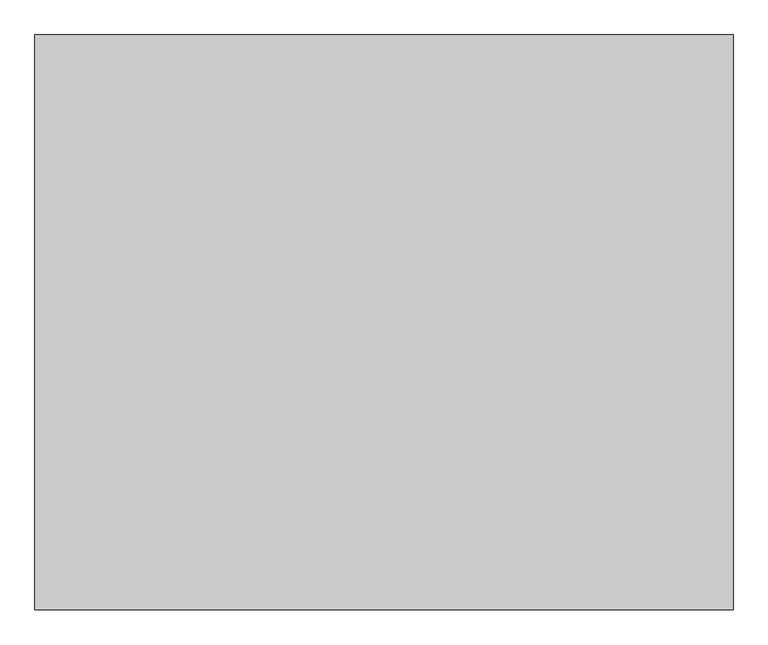
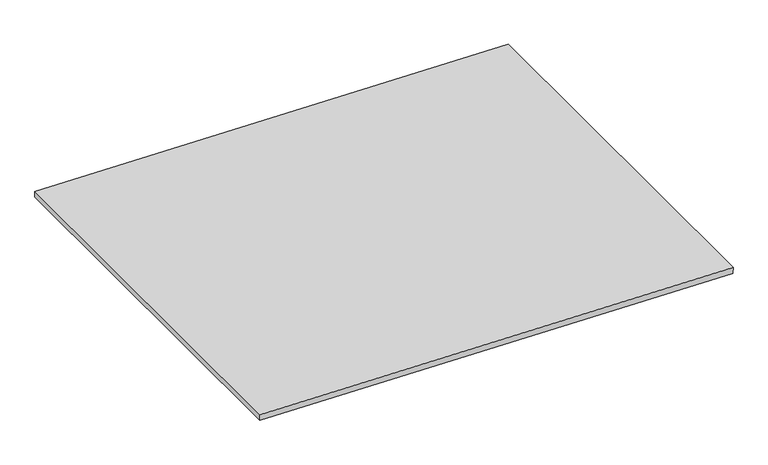
"""IFC4 building model written with IfcOpenShell, lengths in millimetres: proxy geometry."""

import ifcopenshell
import ifcopenshell.guid

model = None  # the IFC model being written
_history = None  # IfcOwnerHistory: only IFC2X3 demands one
_inside = {}  # id of a spatial element -> (the spatial element, [elements in it])
_under = {}  # id of a project, library or spatial element -> (it, [spatial elements below it])
_declared = {}  # id of a project -> (the project, [libraries it declares])
_typed = {}  # id of a type object -> (the type object, [elements of that type])
_made_of = {}  # id of a material, layer set ... -> (it, [elements and type objects made of it])


def new_model(schema):
    """Start an empty IFC model of exactly this schema.

    Asked for "IFC4X3", IfcOpenShell would pick the latest addendum, in which some entities
    have other attributes; the version numbers below select the first issue.
    IFC2X3 requires an IfcOwnerHistory on every rooted entity: one is made here for all.
    """
    global model, _history
    if schema == "IFC4X3":
        model = ifcopenshell.file(schema_version=(4, 3, 0, 0))
    else:
        model = ifcopenshell.file(schema=schema)
    _inside.clear()
    _under.clear()
    _declared.clear()
    _typed.clear()
    _made_of.clear()
    _history = None
    if model.schema == "IFC2X3":
        org = make("IfcOrganization", Name="unknown")
        user = make(
            "IfcPersonAndOrganization",
            ThePerson=make("IfcPerson", FamilyName="unknown"),
            TheOrganization=org,
        )
        app = make(
            "IfcApplication",
            ApplicationDeveloper=org,
            Version="unknown",
            ApplicationFullName="unknown",
            ApplicationIdentifier="unknown",
        )
        _history = make(
            "IfcOwnerHistory",
            OwningUser=user,
            OwningApplication=app,
            ChangeAction="ADDED",
            CreationDate=0,
        )
    return model


def make(cls, **values):
    """One entity of the class cls with the attributes given. An attribute that is None is left unset."""
    return model.create_entity(
        cls, **{name: value for name, value in values.items() if value is not None}
    )


def rooted(cls, **values):
    """An entity with a GlobalId (a new one), such as an element, a storey or a relation."""
    return make(cls, GlobalId=ifcopenshell.guid.new(), OwnerHistory=_history, **values)


def si_unit(unit_type, name, prefix=None):
    """IfcSIUnit, for example si_unit("LENGTHUNIT", "METRE", prefix="MILLI")."""
    return make("IfcSIUnit", UnitType=unit_type, Prefix=prefix, Name=name)


def assignment(units):
    """IfcUnitAssignment: the units of a project."""
    return None if units is None else make("IfcUnitAssignment", Units=units)


def point(xyz):
    """IfcCartesianPoint."""
    return None if xyz is None else make("IfcCartesianPoint", Coordinates=xyz)


def direction(xyz):
    """IfcDirection."""
    return None if xyz is None else make("IfcDirection", DirectionRatios=xyz)


def frame(location, z_axis=None, x_axis=None):
    """IfcAxis2Placement3D, a coordinate frame: its origin and axes. An axis left out is left unset."""
    return make(
        "IfcAxis2Placement3D",
        Location=point(location),
        Axis=direction(z_axis),
        RefDirection=direction(x_axis),
    )


def origin():
    """The frame at (0, 0, 0) with its axes left unset."""
    return frame((0.0, 0.0, 0.0))


def place(relative_to, where):
    """IfcLocalPlacement: puts the frame where relative to a parent placement (None: the world)."""
    return make(
        "IfcLocalPlacement", PlacementRelTo=relative_to, RelativePlacement=where
    )


def context(
    kind, dimensions, precision=None, world=None, true_north=None, identifier=None
):
    """IfcGeometricRepresentationContext, for example the 3D "Model" context."""
    return make(
        "IfcGeometricRepresentationContext",
        ContextIdentifier=identifier,
        ContextType=kind,
        CoordinateSpaceDimension=dimensions,
        Precision=precision,
        WorldCoordinateSystem=world,
        TrueNorth=true_north,
    )


def project(units=None, contexts=None):
    """IfcProject with its units and contexts."""
    return rooted(
        "IfcProject",
        Name="project",
        RepresentationContexts=contexts,
        UnitsInContext=assignment(units),
    )


def spatial(cls, under=None, at=None, **own):
    """A site, building, storey or space (cls), placed at a placement, below another one or the project."""
    s = rooted(cls, ObjectPlacement=at, **own)
    if under is not None:
        _under.setdefault(under.id(), (under, []))[1].append(s)
    return s


def polyline(points):
    """IfcPolyline through the points."""
    return make("IfcPolyline", Points=[point(p) for p in points])


def outline(outer, holes=None, kind="AREA"):
    """IfcArbitraryClosedProfileDef: a profile drawn as a closed curve; with holes, ...WithVoids."""
    if holes is None:
        return make("IfcArbitraryClosedProfileDef", ProfileType=kind, OuterCurve=outer)
    return make(
        "IfcArbitraryProfileDefWithVoids",
        ProfileType=kind,
        OuterCurve=outer,
        InnerCurves=holes,
    )


def extrude(swept, where, along, depth):
    """IfcExtrudedAreaSolid: the profile swept, set in the frame where, extruded along a direction by depth."""
    return make(
        "IfcExtrudedAreaSolid",
        SweptArea=swept,
        Position=where,
        ExtrudedDirection=direction(along),
        Depth=depth,
    )


def shape(context_of_items, identifier, shape_type, items):
    """IfcShapeRepresentation: the items that make up one representation, for example the "Body"."""
    return make(
        "IfcShapeRepresentation",
        ContextOfItems=context_of_items,
        RepresentationIdentifier=identifier,
        RepresentationType=shape_type,
        Items=items,
    )


def source(mapping_origin, context_of_items, identifier, shape_type, items):
    """IfcRepresentationMap: a shape defined once, which mapped items show again and again."""
    return make(
        "IfcRepresentationMap",
        MappingOrigin=mapping_origin,
        MappedRepresentation=shape(context_of_items, identifier, shape_type, items),
    )


def transform(
    local_origin,
    x_axis=None,
    y_axis=None,
    z_axis=None,
    scale=None,
    scale2=None,
    scale3=None,
    uniform=True,
):
    """IfcCartesianTransformationOperator3D, or its non-uniform kind. x_axis, y_axis, z_axis: its Axis1, 2, 3."""
    if uniform:
        return make(
            "IfcCartesianTransformationOperator3D",
            Axis1=direction(x_axis),
            Axis2=direction(y_axis),
            LocalOrigin=point(local_origin),
            Scale=scale,
            Axis3=direction(z_axis),
        )
    return make(
        "IfcCartesianTransformationOperator3DnonUniform",
        Axis1=direction(x_axis),
        Axis2=direction(y_axis),
        LocalOrigin=point(local_origin),
        Scale=scale,
        Axis3=direction(z_axis),
        Scale2=scale2,
        Scale3=scale3,
    )


def mapped(mapping_source, mapping_target):
    """IfcMappedItem: shows the shape of a source again, moved by a transform."""
    return make(
        "IfcMappedItem", MappingSource=mapping_source, MappingTarget=mapping_target
    )


def made_of(thing, what):
    """Note that an element or type object is made of a material, layer set ...; save() writes the relation."""
    if what is not None:
        _made_of.setdefault(what.id(), (what, []))[1].append(thing)
    return thing


def element(
    cls,
    number,
    at=None,
    inside=None,
    cuts=None,
    type_object=None,
    material=None,
    context=None,
    identifier="Body",
    shape_type=None,
    held_by="IfcProductDefinitionShape",
    body=None,
    shapes=None,
    **own,
):
    """One element of the class cls, such as IfcWall. Its Tag is "e" and its number.

    at: its placement. inside: the storey or other place that contains it. cuts: it is an
    opening in that element (IfcRelVoidsElement). A single representation is given by context,
    identifier, shape_type and body (its items); several are given by shapes. held_by: the class
    of the entity that holds the representations. save() writes the other relations.
    """
    e = rooted(cls, Tag="e%d" % number, ObjectPlacement=at, **own)
    if body is not None:
        shapes = [shape(context, identifier, shape_type, body)]
    if shapes is not None:
        e.Representation = make(held_by, Representations=shapes)
    if inside is not None:
        _inside.setdefault(inside.id(), (inside, []))[1].append(e)
    if cuts is not None:
        rooted(
            "IfcRelVoidsElement", RelatingBuildingElement=cuts, RelatedOpeningElement=e
        )
    if type_object is not None:
        _typed.setdefault(type_object.id(), (type_object, []))[1].append(e)
    return made_of(e, material)


def aggregate(whole, parts):
    """IfcRelAggregates: a whole, such as a stair, and the parts it consists of."""
    return rooted("IfcRelAggregates", RelatingObject=whole, RelatedObjects=parts)


def save(model, path):
    """Write the relations noted so far, then the file.

    IfcRelAggregates (storeys below a building ...), IfcRelContainedInSpatialStructure (elements
    in a storey), IfcRelDefinesByType, IfcRelAssociatesMaterial and IfcRelDeclares: one each for
    every whole, place, type object, material and project.
    """
    for whole, parts in _under.values():
        aggregate(whole, parts)
    for where, things in _inside.values():
        rooted(
            "IfcRelContainedInSpatialStructure",
            RelatedElements=things,
            RelatingStructure=where,
        )
    for kind, things in _typed.values():
        rooted("IfcRelDefinesByType", RelatedObjects=things, RelatingType=kind)
    for what, things in _made_of.values():
        rooted("IfcRelAssociatesMaterial", RelatedObjects=things, RelatingMaterial=what)
    for by, libraries in _declared.values():
        rooted("IfcRelDeclares", RelatingContext=by, RelatedDefinitions=libraries)
    model.write(path)


def generic_models_e9691459(model_context):
    return source(origin(), model_context, "Body", "SweptSolid", [
        extrude(outline(polyline([(2943.3149924, 37992.6210168), (2928.7954472, 37992.6210168), (2905.6579289, 39103.221896), (2920.1711749, 39103.5242553), (2943.3149924, 37992.6210168)])), frame((0.0, -25196.3529946, 0.0), z_axis=(0.0, 1.0, 0.0), x_axis=(0.0, 0.0, 1.0)), (0.0, 0.0, 1.0), 914.4),
    ])


if __name__ == "__main__":
    model = new_model("IFC4")
    model_context = context("Model", 3, world=origin())
    ifc_project = project(units=[si_unit("LENGTHUNIT", "METRE", prefix="MILLI")], contexts=[model_context])
    site = spatial("IfcSite", under=ifc_project)
    building = spatial("IfcBuilding", under=site)
    placement = place(None, origin())
    generic_models_shape = generic_models_e9691459(model_context)
    element("IfcBuildingElementProxy", 1, Name="Generic Models", at=placement, inside=building, context=model_context, shape_type="MappedRepresentation", body=[
        mapped(generic_models_shape, transform((0.0, 0.0, 0.0), x_axis=(1.0, 0.0, 0.0), y_axis=(0.0, 1.0, 0.0), z_axis=(0.0, 0.0, 1.0))),
    ])
    save(model, "model.ifc")
